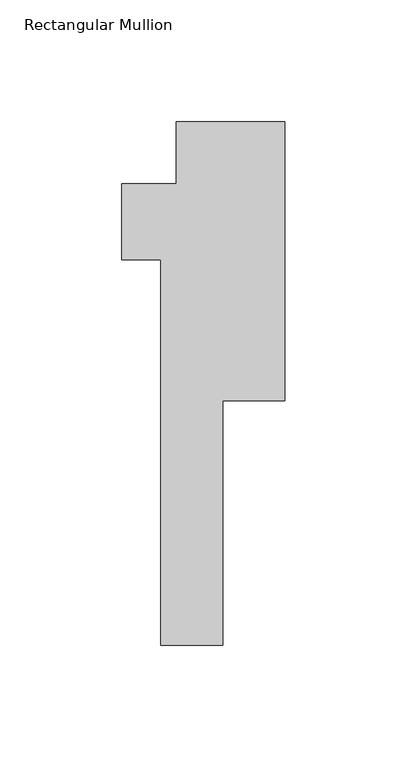
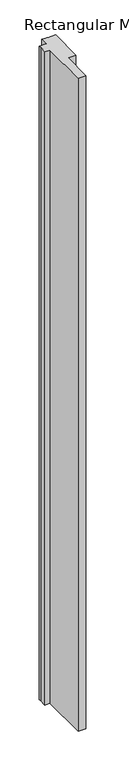
"""IFC4 building model written with IfcOpenShell, lengths in millimetres: member geometry, Rectangular Mullion."""

from ifc_helpers import new_model, si_unit, frame, origin, place, context, project, spatial, polyline, outline, extrude, source, transform, mapped, element, save


def rectangular_mullion_01a43604(model_context):
    return source(origin(), model_context, "Body", "SweptSolid", [
        extrude(outline(polyline([(-6.35, 0.0), (6.35, 0.0), (9.542699, 0.0), (12.7374075, 0.0), (38.1, 0.0), (38.1, -114.3), (12.7, -114.3), (12.7, -214.376), (-12.7, -214.376), (-12.7, -56.388), (-28.575, -56.388), (-28.575, -31.75), (-28.575, -25.4), (-6.35, -25.4), (-6.35, 0.0)])), frame((0.0, 0.0, -2235.2), z_axis=(0.0, 0.0, 1.0), x_axis=(1.0, 0.0, 0.0)), (0.0, 0.0, 1.0), 2235.2),
    ])


if __name__ == "__main__":
    model = new_model("IFC4")
    model_context = context("Model", 3, world=origin())
    ifc_project = project(units=[si_unit("LENGTHUNIT", "METRE", prefix="MILLI")], contexts=[model_context])
    site = spatial("IfcSite", under=ifc_project)
    building = spatial("IfcBuilding", under=site)
    placement = place(None, origin())
    rectangular_mullion_shape = rectangular_mullion_01a43604(model_context)
    element("IfcMember", 1, ObjectType="Rectangular Mullion", at=placement, inside=building, context=model_context, shape_type="MappedRepresentation", body=[
        mapped(rectangular_mullion_shape, transform((0.0, 0.0, 0.0), x_axis=(1.0, 0.0, 0.0), y_axis=(0.0, 1.0, 0.0), z_axis=(0.0, 0.0, 1.0))),
    ])
    save(model, "model.ifc")
